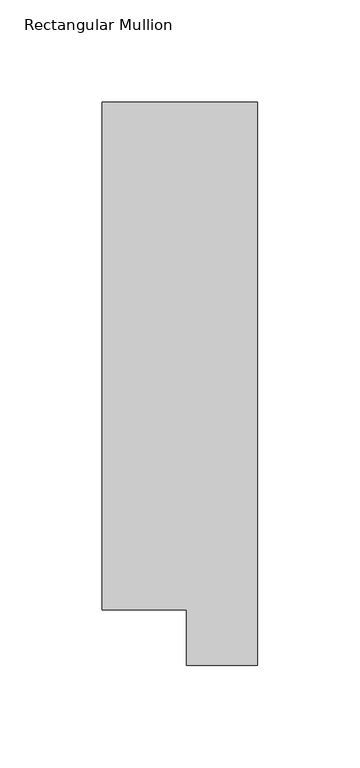
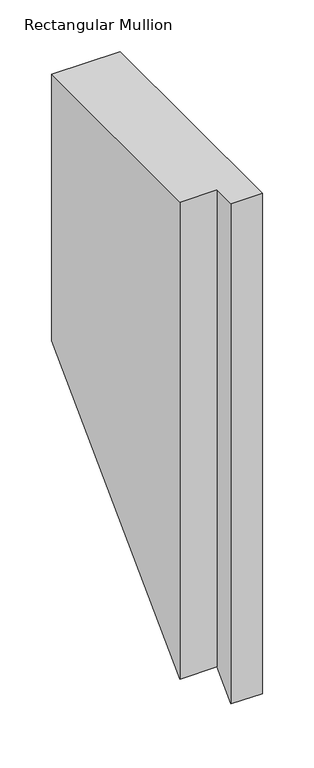
"""IFC4 building model written with IfcOpenShell, lengths in millimetres: member geometry, Rectangular Mullion."""

from ifc_helpers import new_model, si_unit, origin, place, context, project, spatial, faceted_brep, source, transform, mapped, element, save


def rectangular_mullion_38ed98be(model_context):
    return source(origin(), model_context, "Body", "Brep", [
        faceted_brep([(0.0, 295.1821312, 0.0), (-76.2, 295.1821312, 0.0), (-76.2, 46.7447302, 0.0), (-34.9123, 46.7447302, 0.0), (-34.9123, 19.5667313, 0.0), (0.0, 19.5667313, 0.0), (0.0, 295.1821312, -314.4178688), (-76.2, 295.1821312, -314.4178688), (-76.2, 46.7447302, -562.8552698), (-34.9123, 46.7447302, -562.8552698), (-34.9123, 19.5667313, -590.0332687), (0.0, 19.5667313, -590.0332687)], [[[0, 1, 2, 3, 4, 5]], [[1, 0, 6, 7]], [[2, 1, 7, 8]], [[3, 2, 8, 9]], [[4, 3, 9, 10]], [[5, 4, 10, 11]], [[0, 5, 11, 6]], [[6, 11, 10, 9, 8, 7]]]),
    ])


if __name__ == "__main__":
    model = new_model("IFC4")
    model_context = context("Model", 3, world=origin())
    ifc_project = project(units=[si_unit("LENGTHUNIT", "METRE", prefix="MILLI")], contexts=[model_context])
    site = spatial("IfcSite", under=ifc_project)
    building = spatial("IfcBuilding", under=site)
    placement = place(None, origin())
    rectangular_mullion_shape = rectangular_mullion_38ed98be(model_context)
    element("IfcMember", 1, ObjectType="Rectangular Mullion", at=placement, inside=building, context=model_context, shape_type="MappedRepresentation", body=[
        mapped(rectangular_mullion_shape, transform((0.0, 0.0, 0.0), x_axis=(1.0, 0.0, 0.0), y_axis=(0.0, 1.0, 0.0), z_axis=(0.0, 0.0, 1.0))),
    ])
    save(model, "model.ifc")
